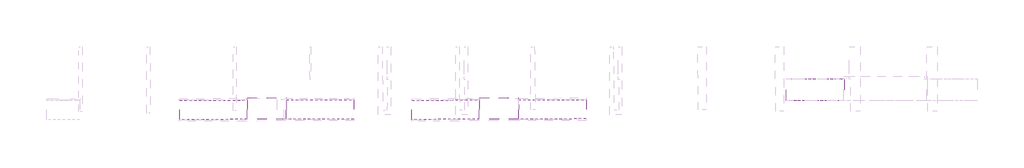
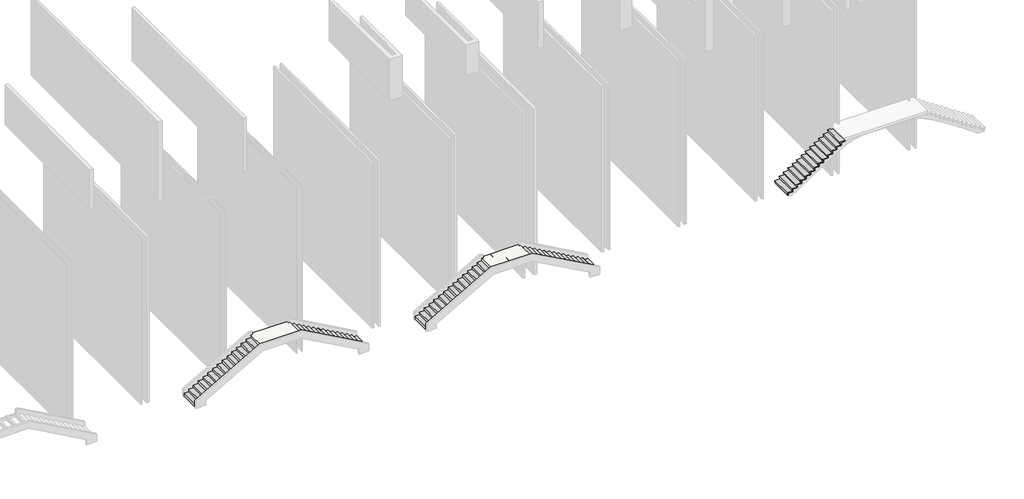
# One storey, part 3 of 9: 5 stair flights, 2 slabs.
"""IFC4 building model written with IfcOpenShell, lengths in millimetres."""

import ifcopenshell
import ifcopenshell.guid

model = None  # the IFC model being written
_history = None  # IfcOwnerHistory: only IFC2X3 demands one
_inside = {}  # id of a spatial element -> (the spatial element, [elements in it])
_under = {}  # id of a project, library or spatial element -> (it, [spatial elements below it])
_declared = {}  # id of a project -> (the project, [libraries it declares])
_typed = {}  # id of a type object -> (the type object, [elements of that type])
_made_of = {}  # id of a material, layer set ... -> (it, [elements and type objects made of it])


def new_model(schema):
    """Start an empty IFC model of exactly this schema.

    Asked for "IFC4X3", IfcOpenShell would pick the latest addendum, in which some entities
    have other attributes; the version numbers below select the first issue.
    IFC2X3 requires an IfcOwnerHistory on every rooted entity: one is made here for all.
    """
    global model, _history
    if schema == "IFC4X3":
        model = ifcopenshell.file(schema_version=(4, 3, 0, 0))
    else:
        model = ifcopenshell.file(schema=schema)
    _inside.clear()
    _under.clear()
    _declared.clear()
    _typed.clear()
    _made_of.clear()
    _history = None
    if model.schema == "IFC2X3":
        org = make("IfcOrganization", Name="unknown")
        user = make(
            "IfcPersonAndOrganization",
            ThePerson=make("IfcPerson", FamilyName="unknown"),
            TheOrganization=org,
        )
        app = make(
            "IfcApplication",
            ApplicationDeveloper=org,
            Version="unknown",
            ApplicationFullName="unknown",
            ApplicationIdentifier="unknown",
        )
        _history = make(
            "IfcOwnerHistory",
            OwningUser=user,
            OwningApplication=app,
            ChangeAction="ADDED",
            CreationDate=0,
        )
    return model


def make(cls, **values):
    """One entity of the class cls with the attributes given. An attribute that is None is left unset."""
    return model.create_entity(
        cls, **{name: value for name, value in values.items() if value is not None}
    )


def rooted(cls, **values):
    """An entity with a GlobalId (a new one), such as an element, a storey or a relation."""
    return make(cls, GlobalId=ifcopenshell.guid.new(), OwnerHistory=_history, **values)


def si_unit(unit_type, name, prefix=None):
    """IfcSIUnit, for example si_unit("LENGTHUNIT", "METRE", prefix="MILLI")."""
    return make("IfcSIUnit", UnitType=unit_type, Prefix=prefix, Name=name)


def assignment(units):
    """IfcUnitAssignment: the units of a project."""
    return None if units is None else make("IfcUnitAssignment", Units=units)


def point(xyz):
    """IfcCartesianPoint."""
    return None if xyz is None else make("IfcCartesianPoint", Coordinates=xyz)


def direction(xyz):
    """IfcDirection."""
    return None if xyz is None else make("IfcDirection", DirectionRatios=xyz)


def frame(location, z_axis=None, x_axis=None):
    """IfcAxis2Placement3D, a coordinate frame: its origin and axes. An axis left out is left unset."""
    return make(
        "IfcAxis2Placement3D",
        Location=point(location),
        Axis=direction(z_axis),
        RefDirection=direction(x_axis),
    )


def origin():
    """The frame at (0, 0, 0) with its axes left unset."""
    return frame((0.0, 0.0, 0.0))


def place(relative_to, where):
    """IfcLocalPlacement: puts the frame where relative to a parent placement (None: the world)."""
    return make(
        "IfcLocalPlacement", PlacementRelTo=relative_to, RelativePlacement=where
    )


def context(
    kind, dimensions, precision=None, world=None, true_north=None, identifier=None
):
    """IfcGeometricRepresentationContext, for example the 3D "Model" context."""
    return make(
        "IfcGeometricRepresentationContext",
        ContextIdentifier=identifier,
        ContextType=kind,
        CoordinateSpaceDimension=dimensions,
        Precision=precision,
        WorldCoordinateSystem=world,
        TrueNorth=true_north,
    )


def project(units=None, contexts=None):
    """IfcProject with its units and contexts."""
    return rooted(
        "IfcProject",
        Name="project",
        RepresentationContexts=contexts,
        UnitsInContext=assignment(units),
    )


def spatial(cls, under=None, at=None, **own):
    """A site, building, storey or space (cls), placed at a placement, below another one or the project."""
    s = rooted(cls, ObjectPlacement=at, **own)
    if under is not None:
        _under.setdefault(under.id(), (under, []))[1].append(s)
    return s


def faces_of(points, faces, orient=None, outer=None):
    """IfcFace entities. A face is a list of loops; a loop is a list of indices into points, from 0.

    orient and outer hold one flag for each loop. By default every Orientation is true, the
    first loop of a face is its IfcFaceOuterBound and the others are IfcFaceBound.
    """
    made = []
    for i, loops in enumerate(faces):
        bounds = []
        for j, loop in enumerate(loops):
            is_outer = j == 0 if outer is None else outer[i][j]
            bounds.append(
                make(
                    "IfcFaceOuterBound" if is_outer else "IfcFaceBound",
                    Bound=make("IfcPolyLoop", Polygon=[points[k] for k in loop]),
                    Orientation=True if orient is None else orient[i][j],
                )
            )
        made.append(make("IfcFace", Bounds=bounds))
    return made


def faceted_brep(points, faces, orient=None, outer=None, voids=None):
    """IfcFacetedBrep: a solid bounded by flat faces; with voids (closed shells), ...WithVoids."""
    shared = [point(p) for p in points]
    hull = make("IfcClosedShell", CfsFaces=faces_of(shared, faces, orient, outer))
    if voids is None:
        return make("IfcFacetedBrep", Outer=hull)
    return make(
        "IfcFacetedBrepWithVoids",
        Outer=hull,
        Voids=[
            make(cls, CfsFaces=faces_of(shared, fs, o, b)) for cls, fs, o, b in voids
        ],
    )


def shape(context_of_items, identifier, shape_type, items):
    """IfcShapeRepresentation: the items that make up one representation, for example the "Body"."""
    return make(
        "IfcShapeRepresentation",
        ContextOfItems=context_of_items,
        RepresentationIdentifier=identifier,
        RepresentationType=shape_type,
        Items=items,
    )


def made_of(thing, what):
    """Note that an element or type object is made of a material, layer set ...; save() writes the relation."""
    if what is not None:
        _made_of.setdefault(what.id(), (what, []))[1].append(thing)
    return thing


def element(
    cls,
    number,
    at=None,
    inside=None,
    cuts=None,
    type_object=None,
    material=None,
    context=None,
    identifier="Body",
    shape_type=None,
    held_by="IfcProductDefinitionShape",
    body=None,
    shapes=None,
    **own,
):
    """One element of the class cls, such as IfcWall. Its Tag is "e" and its number.

    at: its placement. inside: the storey or other place that contains it. cuts: it is an
    opening in that element (IfcRelVoidsElement). A single representation is given by context,
    identifier, shape_type and body (its items); several are given by shapes. held_by: the class
    of the entity that holds the representations. save() writes the other relations.
    """
    e = rooted(cls, Tag="e%d" % number, ObjectPlacement=at, **own)
    if body is not None:
        shapes = [shape(context, identifier, shape_type, body)]
    if shapes is not None:
        e.Representation = make(held_by, Representations=shapes)
    if inside is not None:
        _inside.setdefault(inside.id(), (inside, []))[1].append(e)
    if cuts is not None:
        rooted(
            "IfcRelVoidsElement", RelatingBuildingElement=cuts, RelatedOpeningElement=e
        )
    if type_object is not None:
        _typed.setdefault(type_object.id(), (type_object, []))[1].append(e)
    return made_of(e, material)


def aggregate(whole, parts):
    """IfcRelAggregates: a whole, such as a stair, and the parts it consists of."""
    return rooted("IfcRelAggregates", RelatingObject=whole, RelatedObjects=parts)


def save(model, path):
    """Write the relations noted so far, then the file.

    IfcRelAggregates (storeys below a building ...), IfcRelContainedInSpatialStructure (elements
    in a storey), IfcRelDefinesByType, IfcRelAssociatesMaterial and IfcRelDeclares: one each for
    every whole, place, type object, material and project.
    """
    for whole, parts in _under.values():
        aggregate(whole, parts)
    for where, things in _inside.values():
        rooted(
            "IfcRelContainedInSpatialStructure",
            RelatedElements=things,
            RelatingStructure=where,
        )
    for kind, things in _typed.values():
        rooted("IfcRelDefinesByType", RelatedObjects=things, RelatingType=kind)
    for what, things in _made_of.values():
        rooted("IfcRelAssociatesMaterial", RelatedObjects=things, RelatingMaterial=what)
    for by, libraries in _declared.values():
        rooted("IfcRelDeclares", RelatingContext=by, RelatedDefinitions=libraries)
    model.write(path)


model = new_model("IFC4")

# Units and contexts
model_context = context("Model", 3, world=origin())
ifc_project = project(units=[si_unit("LENGTHUNIT", "METRE", prefix="MILLI")], contexts=[model_context])

# Site, building, storey
site = spatial("IfcSite", under=ifc_project)
building = spatial("IfcBuilding", under=site)
storey = spatial("IfcBuildingStorey", under=building, Elevation=-6062.0)

# Slabs
placement = place(None, origin())
element("IfcSlab", 1, at=placement, inside=storey, context=model_context, shape_type="Brep", body=[
    faceted_brep([(-39551.1176898, 101575.3872461, 70.875), (-39546.8894207, 100372.8490926, 70.875), (-39526.8895444, 100372.9194146, 70.875), (-37151.1611749, 100381.2727618, 70.875), (-37131.1612985, 100381.3430837, 70.875), (-37135.3895676, 101583.8812372, 70.875), (-37135.8516621, 101715.3029466, 70.875), (-39551.5975319, 101711.8564372, 70.875), (-37131.1612985, 100381.3430837, -117.125), (-37135.3895676, 101583.8812372, -117.125), (-37135.3895676, 101583.8812372, 50.875), (-39551.5975319, 101711.8564372, 50.875), (-39551.1176898, 101575.3872461, 50.875), (-39546.8894207, 100372.8490926, -117.125), (-39526.8895444, 100372.9194146, -117.125), (-39526.8895444, 100372.9194146, 50.875), (-37151.1611749, 100381.2727618, 50.875), (-37151.1611749, 100381.2727618, -117.125), (-39531.1178134, 101575.4575681, 50.875), (-37135.8516621, 101715.3029466, 50.875), (-37155.3894439, 101583.8109153, 50.875), (-37155.3894439, 101583.8109153, -117.125), (-39531.1178134, 101575.4575681, -117.125), (-39551.1176898, 101575.3872461, -117.125)], [[[0, 1, 2, 3, 4, 5, 6, 7]], [[5, 4, 8, 9, 10]], [[0, 7, 11, 12]], [[1, 13, 14, 15, 16, 17, 8, 4, 3, 2]], [[18, 12, 11, 19, 10, 20, 16, 15]], [[21, 20, 10, 9]], [[17, 21, 9, 8]], [[21, 17, 16, 20]], [[18, 22, 23, 12]], [[22, 14, 13, 23]], [[14, 22, 18, 15]], [[1, 0, 12, 23, 13]], [[6, 5, 10, 19]], [[7, 6, 19, 11]]]),
])
element("IfcSlab", 2, at=placement, inside=storey, context=model_context, shape_type="Brep", body=[
    faceted_brep([(-25184.7349753, 101580.9808605, 90.875), (-25180.3563531, 100378.443245, 90.875), (-25160.3564857, 100378.5160676, 90.875), (-22784.6291792, 100387.1664518, 90.875), (-22764.6293118, 100387.2392743, 90.875), (-22769.007934, 101589.7768898, 90.875), (-22769.4783665, 101718.9757123, 90.875), (-25185.1905687, 101706.1042884, 90.875), (-22764.6293118, 100387.2392743, -95.7916667), (-22769.007934, 101589.7768898, -95.7916667), (-22769.007934, 101589.7768898, 70.875), (-25185.1905687, 101706.1042884, 70.875), (-25184.7349753, 101580.9808605, 70.875), (-25180.3563531, 100378.443245, -95.7916667), (-25160.3564857, 100378.5160676, -95.7916667), (-25160.3564857, 100378.5160676, 70.875), (-22784.6291792, 100387.1664518, 70.875), (-22784.6291792, 100387.1664518, -95.7916667), (-25164.7351079, 101581.053683, 70.875), (-22769.4783665, 101718.9757123, 70.875), (-22789.0078014, 101589.7040672, 70.875), (-22789.0078014, 101589.7040672, -95.7916667), (-25164.7351079, 101581.053683, -95.7916667), (-25184.7349753, 101580.9808605, -95.7916667)], [[[0, 1, 2, 3, 4, 5, 6, 7]], [[5, 4, 8, 9, 10]], [[0, 7, 11, 12]], [[1, 13, 14, 15, 16, 17, 8, 4, 3, 2]], [[18, 12, 11, 19, 10, 20, 16, 15]], [[21, 20, 10, 9]], [[17, 21, 9, 8]], [[21, 17, 16, 20]], [[18, 22, 23, 12]], [[22, 14, 13, 23]], [[14, 22, 18, 15]], [[1, 0, 12, 23, 13]], [[6, 5, 10, 19]], [[7, 6, 19, 11]]]),
])

# Stair flights
element("IfcStairFlight", 3, ObjectType="Rampa_Acciaio_2cm", at=placement, inside=storey, context=model_context, shape_type="Brep", body=[
    faceted_brep([(-43438.0936623, 101561.7201703, -2281.125), (-43737.091814, 101560.6688567, -2281.125), (-43732.863545, 100358.1307032, -2281.125), (-43433.8653933, 100359.1820168, -2281.125), (-43438.0936623, 101561.7201703, -2301.125), (-43717.0919377, 101560.7391787, -2301.125), (-43717.0919377, 101560.7391787, -2449.125), (-43737.091814, 101560.6688567, -2449.125), (-43732.863545, 100358.1307032, -2449.125), (-43712.8636686, 100358.2010252, -2449.125), (-43712.8636686, 100358.2010252, -2301.125), (-43433.8653933, 100359.1820168, -2301.125), (-43139.0955106, 101562.7714838, -2113.125), (-43438.0936623, 101561.7201703, -2113.125), (-43433.8653933, 100359.1820168, -2113.125), (-43134.8672415, 100360.2333303, -2113.125), (-43139.0955106, 101562.7714838, -2133.125), (-43418.0937859, 101561.7904922, -2133.125), (-43418.0937859, 101561.7904922, -2301.125), (-43413.8655169, 100359.2523387, -2301.125), (-43413.8655169, 100359.2523387, -2133.125), (-43134.8672415, 100360.2333303, -2133.125), (-42840.0973588, 101563.8227973, -1945.125), (-43139.0955106, 101562.7714838, -1945.125), (-43134.8672415, 100360.2333303, -1945.125), (-42835.8690898, 100361.2846438, -1945.125), (-42840.0973588, 101563.8227973, -1965.125), (-43119.0956342, 101562.8418058, -1965.125), (-43119.0956342, 101562.8418058, -2133.125), (-43114.8673652, 100360.3036523, -2133.125), (-43114.8673652, 100360.3036523, -1965.125), (-42835.8690898, 100361.2846438, -1965.125), (-42541.0992071, 101564.8741108, -1777.125), (-42840.0973588, 101563.8227973, -1777.125), (-42835.8690898, 100361.2846438, -1777.125), (-42536.8709381, 100362.3359573, -1777.125), (-42541.0992071, 101564.8741108, -1797.125), (-42820.0974825, 101563.8931193, -1797.125), (-42820.0974825, 101563.8931193, -1965.125), (-42815.8692134, 100361.3549658, -1965.125), (-42815.8692134, 100361.3549658, -1797.125), (-42536.8709381, 100362.3359573, -1797.125), (-42242.1010554, 101565.9254244, -1609.125), (-42541.0992071, 101564.8741108, -1609.125), (-42536.8709381, 100362.3359573, -1609.125), (-42237.8727863, 100363.3872709, -1609.125), (-42242.1010554, 101565.9254244, -1629.125), (-42521.0993307, 101564.9444328, -1629.125), (-42521.0993307, 101564.9444328, -1797.125), (-42516.8710617, 100362.4062793, -1797.125), (-42516.8710617, 100362.4062793, -1629.125), (-42237.8727863, 100363.3872709, -1629.125), (-41943.1029036, 101566.9767379, -1441.125), (-42242.1010554, 101565.9254244, -1441.125), (-42237.8727863, 100363.3872709, -1441.125), (-41938.8746346, 100364.4385844, -1441.125), (-41943.1029036, 101566.9767379, -1461.125), (-42222.101179, 101565.9957463, -1461.125), (-42222.101179, 101565.9957463, -1629.125), (-42217.87291, 100363.4575928, -1629.125), (-42217.87291, 100363.4575928, -1461.125), (-41938.8746346, 100364.4385844, -1461.125), (-41644.1047519, 101568.0280514, -1273.125), (-41943.1029036, 101566.9767379, -1273.125), (-41938.8746346, 100364.4385844, -1273.125), (-41639.8764829, 100365.4898979, -1273.125), (-41644.1047519, 101568.0280514, -1293.125), (-41923.1030273, 101567.0470599, -1293.125), (-41923.1030273, 101567.0470599, -1461.125), (-41918.8747582, 100364.5089064, -1461.125), (-41918.8747582, 100364.5089064, -1293.125), (-41639.8764829, 100365.4898979, -1293.125), (-41345.1066002, 101569.0793649, -1105.125), (-41644.1047519, 101568.0280514, -1105.125), (-41639.8764829, 100365.4898979, -1105.125), (-41340.8783311, 100366.5412114, -1105.125), (-41345.1066002, 101569.0793649, -1125.125), (-41624.1048755, 101568.0983734, -1125.125), (-41624.1048755, 101568.0983734, -1293.125), (-41619.8766065, 100365.5602199, -1293.125), (-41619.8766065, 100365.5602199, -1125.125), (-41340.8783311, 100366.5412114, -1125.125), (-41046.1084484, 101570.1306785, -937.125), (-41345.1066002, 101569.0793649, -937.125), (-41340.8783311, 100366.5412114, -937.125), (-41041.8801794, 100367.592525, -937.125), (-41046.1084484, 101570.1306785, -957.125), (-41325.1067238, 101569.1496869, -957.125), (-41325.1067238, 101569.1496869, -1125.125), (-41320.8784548, 100366.6115334, -1125.125), (-41320.8784548, 100366.6115334, -957.125), (-41041.8801794, 100367.592525, -957.125), (-40747.1102967, 101571.181992, -769.125), (-41046.1084484, 101570.1306785, -769.125), (-41041.8801794, 100367.592525, -769.125), (-40742.8820277, 100368.6438385, -769.125), (-40747.1102967, 101571.181992, -789.125), (-41026.1085721, 101570.2010004, -789.125), (-41026.1085721, 101570.2010004, -957.125), (-41021.880303, 100367.662847, -957.125), (-41021.880303, 100367.662847, -789.125), (-40742.8820277, 100368.6438385, -789.125), (-40448.112145, 101572.2333055, -601.125), (-40747.1102967, 101571.181992, -601.125), (-40742.8820277, 100368.6438385, -601.125), (-40443.8838759, 100369.695152, -601.125), (-40448.112145, 101572.2333055, -621.125), (-40727.1104203, 101571.252314, -621.125), (-40727.1104203, 101571.252314, -789.125), (-40722.8821513, 100368.7141605, -789.125), (-40722.8821513, 100368.7141605, -621.125), (-40443.8838759, 100369.695152, -621.125), (-40149.1139932, 101573.284619, -433.125), (-40448.112145, 101572.2333055, -433.125), (-40443.8838759, 100369.695152, -433.125), (-40144.8857242, 100370.7464656, -433.125), (-40149.1139932, 101573.284619, -453.125), (-40428.1122686, 101572.3036275, -453.125), (-40428.1122686, 101572.3036275, -621.125), (-40423.8839996, 100369.765474, -621.125), (-40423.8839996, 100369.765474, -453.125), (-40144.8857242, 100370.7464656, -453.125), (-39850.1158415, 101574.3359326, -265.125), (-40149.1139932, 101573.284619, -265.125), (-40144.8857242, 100370.7464656, -265.125), (-39845.8875725, 100371.7977791, -265.125), (-39850.1158415, 101574.3359326, -285.125), (-40129.1141169, 101573.354941, -285.125), (-40129.1141169, 101573.354941, -453.125), (-40124.8858478, 100370.8167875, -453.125), (-40124.8858478, 100370.8167875, -285.125), (-39845.8875725, 100371.7977791, -285.125), (-39830.1159651, 101574.4062545, -285.125), (-39825.8876961, 100371.8681011, -285.125), (-39830.1159651, 101574.4062545, -117.125), (-39825.8876961, 100371.8681011, -117.125), (-39551.1176898, 101575.3872461, -97.125), (-39850.1158415, 101574.3359326, -97.125), (-39845.8875725, 100371.7977791, -97.125), (-39546.8894207, 100372.8490926, -97.125), (-39551.1176898, 101575.3872461, -117.125), (-39546.8894207, 100372.8490926, -117.125)], [[[0, 1, 2, 3]], [[1, 0, 4, 5, 6, 7]], [[2, 1, 7, 8]], [[3, 2, 8, 9, 10, 11]], [[12, 13, 14, 15]], [[13, 12, 16, 17, 18, 4, 0]], [[0, 3, 14, 13]], [[15, 14, 3, 11, 19, 20, 21]], [[22, 23, 24, 25]], [[23, 22, 26, 27, 28, 16, 12]], [[12, 15, 24, 23]], [[25, 24, 15, 21, 29, 30, 31]], [[32, 33, 34, 35]], [[33, 32, 36, 37, 38, 26, 22]], [[22, 25, 34, 33]], [[35, 34, 25, 31, 39, 40, 41]], [[42, 43, 44, 45]], [[43, 42, 46, 47, 48, 36, 32]], [[32, 35, 44, 43]], [[45, 44, 35, 41, 49, 50, 51]], [[52, 53, 54, 55]], [[53, 52, 56, 57, 58, 46, 42]], [[42, 45, 54, 53]], [[55, 54, 45, 51, 59, 60, 61]], [[62, 63, 64, 65]], [[63, 62, 66, 67, 68, 56, 52]], [[52, 55, 64, 63]], [[65, 64, 55, 61, 69, 70, 71]], [[72, 73, 74, 75]], [[73, 72, 76, 77, 78, 66, 62]], [[62, 65, 74, 73]], [[75, 74, 65, 71, 79, 80, 81]], [[82, 83, 84, 85]], [[83, 82, 86, 87, 88, 76, 72]], [[72, 75, 84, 83]], [[85, 84, 75, 81, 89, 90, 91]], [[92, 93, 94, 95]], [[93, 92, 96, 97, 98, 86, 82]], [[82, 85, 94, 93]], [[95, 94, 85, 91, 99, 100, 101]], [[102, 103, 104, 105]], [[103, 102, 106, 107, 108, 96, 92]], [[92, 95, 104, 103]], [[105, 104, 95, 101, 109, 110, 111]], [[112, 113, 114, 115]], [[113, 112, 116, 117, 118, 106, 102]], [[102, 105, 114, 113]], [[115, 114, 105, 111, 119, 120, 121]], [[122, 123, 124, 125]], [[123, 122, 126, 127, 128, 116, 112]], [[112, 115, 124, 123]], [[125, 124, 115, 121, 129, 130, 131]], [[8, 7, 6, 9]], [[5, 10, 9, 6]], [[18, 19, 11, 10, 5, 4]], [[19, 18, 17, 20]], [[28, 29, 21, 20, 17, 16]], [[29, 28, 27, 30]], [[38, 39, 31, 30, 27, 26]], [[39, 38, 37, 40]], [[48, 49, 41, 40, 37, 36]], [[49, 48, 47, 50]], [[58, 59, 51, 50, 47, 46]], [[59, 58, 57, 60]], [[68, 69, 61, 60, 57, 56]], [[69, 68, 67, 70]], [[78, 79, 71, 70, 67, 66]], [[79, 78, 77, 80]], [[88, 89, 81, 80, 77, 76]], [[89, 88, 87, 90]], [[98, 99, 91, 90, 87, 86]], [[99, 98, 97, 100]], [[108, 109, 101, 100, 97, 96]], [[109, 108, 107, 110]], [[118, 119, 111, 110, 107, 106]], [[119, 118, 117, 120]], [[128, 129, 121, 120, 117, 116]], [[129, 128, 127, 130]], [[132, 133, 131, 130, 127, 126]], [[133, 132, 134, 135]], [[136, 137, 138, 139]], [[137, 136, 140, 134, 132, 126, 122]], [[122, 125, 138, 137]], [[139, 138, 125, 131, 133, 135, 141]], [[136, 139, 141, 140]], [[135, 134, 140, 141]]]),
])
element("IfcStairFlight", 4, ObjectType="Rampa_Acciaio_2cm", at=placement, inside=storey, context=model_context, shape_type="Brep", body=[
    faceted_brep([(-33244.185326, 100395.0101596, -2281.125), (-32945.1871743, 100396.0614731, -2281.125), (-32949.4154433, 101598.5996266, -2281.125), (-33248.413595, 101597.5483131, -2281.125), (-32949.4154433, 101598.5996266, -2449.125), (-32969.4153197, 101598.5293046, -2449.125), (-32969.4153197, 101598.5293046, -2301.125), (-33248.413595, 101597.5483131, -2301.125), (-32945.1871743, 100396.0614731, -2449.125), (-33244.185326, 100395.0101596, -2301.125), (-32965.1870506, 100395.9911511, -2301.125), (-32965.1870506, 100395.9911511, -2449.125), (-33543.1834777, 100393.9588461, -2113.125), (-33244.185326, 100395.0101596, -2113.125), (-33248.413595, 101597.5483131, -2113.125), (-33547.4117468, 101596.4969996, -2113.125), (-33268.4134714, 101597.4779911, -2301.125), (-33268.4134714, 101597.4779911, -2133.125), (-33547.4117468, 101596.4969996, -2133.125), (-33543.1834777, 100393.9588461, -2133.125), (-33264.1852024, 100394.9398376, -2133.125), (-33264.1852024, 100394.9398376, -2301.125), (-33842.1816295, 100392.9075325, -1945.125), (-33543.1834777, 100393.9588461, -1945.125), (-33547.4117468, 101596.4969996, -1945.125), (-33846.4098985, 101595.445686, -1945.125), (-33567.4116232, 101596.4266776, -2133.125), (-33567.4116231, 101596.4266776, -1965.125), (-33846.4098985, 101595.445686, -1965.125), (-33842.1816295, 100392.9075325, -1965.125), (-33563.1833541, 100393.8885241, -1965.125), (-33563.1833541, 100393.8885241, -2133.125), (-34141.1797812, 100391.856219, -1777.125), (-33842.1816295, 100392.9075325, -1777.125), (-33846.4098985, 101595.445686, -1777.125), (-34145.4080502, 101594.3943725, -1777.125), (-33866.4097749, 101595.3753641, -1965.125), (-33866.4097749, 101595.3753641, -1797.125), (-34145.4080502, 101594.3943725, -1797.125), (-34141.1797812, 100391.856219, -1797.125), (-33862.1815058, 100392.8372106, -1797.125), (-33862.1815058, 100392.8372106, -1965.125), (-34440.1779329, 100390.8049055, -1609.125), (-34141.1797812, 100391.856219, -1609.125), (-34145.4080502, 101594.3943725, -1609.125), (-34444.406202, 101593.343059, -1609.125), (-34165.4079266, 101594.3240505, -1797.125), (-34165.4079266, 101594.3240505, -1629.125), (-34444.406202, 101593.343059, -1629.125), (-34440.1779329, 100390.8049055, -1629.125), (-34161.1796576, 100391.785897, -1629.125), (-34161.1796576, 100391.785897, -1797.125), (-34739.1760847, 100389.753592, -1441.125), (-34440.1779329, 100390.8049055, -1441.125), (-34444.406202, 101593.343059, -1441.125), (-34743.4043537, 101592.2917455, -1441.125), (-34464.4060784, 101593.272737, -1629.125), (-34464.4060784, 101593.272737, -1461.125), (-34743.4043537, 101592.2917455, -1461.125), (-34739.1760847, 100389.753592, -1461.125), (-34460.1778093, 100390.7345835, -1461.125), (-34460.1778093, 100390.7345835, -1629.125), (-35038.1742364, 100388.7022784, -1273.125), (-34739.1760847, 100389.753592, -1273.125), (-34743.4043537, 101592.2917455, -1273.125), (-35042.4025054, 101591.2404319, -1273.125), (-34763.4042301, 101592.2214235, -1461.125), (-34763.4042301, 101592.2214235, -1293.125), (-35042.4025054, 101591.2404319, -1293.125), (-35038.1742364, 100388.7022784, -1293.125), (-34759.175961, 100389.68327, -1293.125), (-34759.175961, 100389.68327, -1461.125), (-35337.1723881, 100387.6509649, -1105.125), (-35038.1742364, 100388.7022784, -1105.125), (-35042.4025054, 101591.2404319, -1105.125), (-35341.4006572, 101590.1891184, -1105.125), (-35062.4023818, 101591.17011, -1293.125), (-35062.4023818, 101591.17011, -1125.125), (-35341.4006572, 101590.1891184, -1125.125), (-35337.1723881, 100387.6509649, -1125.125), (-35058.1741128, 100388.6319565, -1125.125), (-35058.1741128, 100388.6319565, -1293.125), (-35636.1705399, 100386.5996514, -937.125), (-35337.1723881, 100387.6509649, -937.125), (-35341.4006572, 101590.1891184, -937.125), (-35640.3988089, 101589.1378049, -937.125), (-35361.4005336, 101590.1187964, -1125.125), (-35361.4005336, 101590.1187964, -957.125), (-35640.3988089, 101589.1378049, -957.125), (-35636.1705399, 100386.5996514, -957.125), (-35357.1722645, 100387.5806429, -957.125), (-35357.1722645, 100387.5806429, -1125.125), (-35935.1686916, 100385.5483379, -769.125), (-35636.1705399, 100386.5996514, -769.125), (-35640.3988089, 101589.1378049, -769.125), (-35939.3969606, 101588.0864913, -769.125), (-35660.3986853, 101589.0674829, -957.125), (-35660.3986853, 101589.0674829, -789.125), (-35939.3969606, 101588.0864913, -789.125), (-35935.1686916, 100385.5483379, -789.125), (-35656.1704162, 100386.5293294, -789.125), (-35656.1704162, 100386.5293294, -957.125), (-36234.1668433, 100384.4970243, -601.125), (-35935.1686916, 100385.5483379, -601.125), (-35939.3969606, 101588.0864913, -601.125), (-36238.3951124, 101587.0351778, -601.125), (-35959.396837, 101588.0161694, -789.125), (-35959.396837, 101588.0161694, -621.125), (-36238.3951124, 101587.0351778, -621.125), (-36234.1668433, 100384.4970243, -621.125), (-35955.168568, 100385.4780159, -621.125), (-35955.168568, 100385.4780159, -789.125), (-36533.1649951, 100383.4457108, -433.125), (-36234.1668433, 100384.4970243, -433.125), (-36238.3951124, 101587.0351778, -433.125), (-36537.3932641, 101585.9838643, -433.125), (-36258.3949888, 101586.9648558, -621.125), (-36258.3949888, 101586.9648558, -453.125), (-36537.3932641, 101585.9838643, -453.125), (-36533.1649951, 100383.4457108, -453.125), (-36254.1667197, 100384.4267024, -453.125), (-36254.1667197, 100384.4267024, -621.125), (-36832.1631468, 100382.3943973, -265.125), (-36533.1649951, 100383.4457108, -265.125), (-36537.3932641, 101585.9838643, -265.125), (-36836.3914158, 101584.9325508, -265.125), (-36557.3931405, 101585.9135423, -453.125), (-36557.3931405, 101585.9135423, -285.125), (-36836.3914158, 101584.9325508, -285.125), (-36832.1631468, 100382.3943973, -285.125), (-36553.1648714, 100383.3753888, -285.125), (-36553.1648714, 100383.3753888, -453.125), (-37131.1612985, 100381.3430837, -97.125), (-36832.1631468, 100382.3943973, -97.125), (-36836.3914158, 101584.9325508, -97.125), (-37135.3895676, 101583.8812372, -97.125), (-36856.3912922, 101584.8622288, -285.125), (-36856.3912922, 101584.8622288, -117.125), (-37135.3895676, 101583.8812372, -117.125), (-37131.1612985, 100381.3430837, -117.125), (-36852.1630232, 100382.3240753, -117.125), (-36852.1630232, 100382.3240753, -285.125)], [[[0, 1, 2, 3]], [[3, 2, 4, 5, 6, 7]], [[2, 1, 8, 4]], [[1, 0, 9, 10, 11, 8]], [[12, 13, 14, 15]], [[15, 14, 3, 7, 16, 17, 18]], [[0, 3, 14, 13]], [[13, 12, 19, 20, 21, 9, 0]], [[22, 23, 24, 25]], [[25, 24, 15, 18, 26, 27, 28]], [[12, 15, 24, 23]], [[23, 22, 29, 30, 31, 19, 12]], [[32, 33, 34, 35]], [[35, 34, 25, 28, 36, 37, 38]], [[22, 25, 34, 33]], [[33, 32, 39, 40, 41, 29, 22]], [[42, 43, 44, 45]], [[45, 44, 35, 38, 46, 47, 48]], [[32, 35, 44, 43]], [[43, 42, 49, 50, 51, 39, 32]], [[52, 53, 54, 55]], [[55, 54, 45, 48, 56, 57, 58]], [[42, 45, 54, 53]], [[53, 52, 59, 60, 61, 49, 42]], [[62, 63, 64, 65]], [[65, 64, 55, 58, 66, 67, 68]], [[52, 55, 64, 63]], [[63, 62, 69, 70, 71, 59, 52]], [[72, 73, 74, 75]], [[75, 74, 65, 68, 76, 77, 78]], [[62, 65, 74, 73]], [[73, 72, 79, 80, 81, 69, 62]], [[82, 83, 84, 85]], [[85, 84, 75, 78, 86, 87, 88]], [[72, 75, 84, 83]], [[83, 82, 89, 90, 91, 79, 72]], [[92, 93, 94, 95]], [[95, 94, 85, 88, 96, 97, 98]], [[82, 85, 94, 93]], [[93, 92, 99, 100, 101, 89, 82]], [[102, 103, 104, 105]], [[105, 104, 95, 98, 106, 107, 108]], [[92, 95, 104, 103]], [[103, 102, 109, 110, 111, 99, 92]], [[112, 113, 114, 115]], [[115, 114, 105, 108, 116, 117, 118]], [[102, 105, 114, 113]], [[113, 112, 119, 120, 121, 109, 102]], [[122, 123, 124, 125]], [[125, 124, 115, 118, 126, 127, 128]], [[112, 115, 124, 123]], [[123, 122, 129, 130, 131, 119, 112]], [[4, 8, 11, 5]], [[132, 133, 134, 135]], [[135, 134, 125, 128, 136, 137, 138]], [[122, 125, 134, 133]], [[133, 132, 139, 140, 141, 129, 122]], [[132, 135, 138, 139]], [[10, 6, 5, 11]], [[21, 16, 7, 6, 10, 9]], [[16, 21, 20, 17]], [[31, 26, 18, 17, 20, 19]], [[26, 31, 30, 27]], [[41, 36, 28, 27, 30, 29]], [[36, 41, 40, 37]], [[51, 46, 38, 37, 40, 39]], [[46, 51, 50, 47]], [[61, 56, 48, 47, 50, 49]], [[56, 61, 60, 57]], [[71, 66, 58, 57, 60, 59]], [[66, 71, 70, 67]], [[81, 76, 68, 67, 70, 69]], [[76, 81, 80, 77]], [[91, 86, 78, 77, 80, 79]], [[86, 91, 90, 87]], [[101, 96, 88, 87, 90, 89]], [[96, 101, 100, 97]], [[111, 106, 98, 97, 100, 99]], [[106, 111, 110, 107]], [[121, 116, 108, 107, 110, 109]], [[116, 121, 120, 117]], [[131, 126, 118, 117, 120, 119]], [[126, 131, 130, 127]], [[141, 136, 128, 127, 130, 129]], [[136, 141, 140, 137]], [[137, 140, 139, 138]]]),
])
element("IfcStairFlight", 5, ObjectType="Rampa_Acciaio_2cm", at=placement, inside=storey, context=model_context, shape_type="Brep", body=[
    faceted_brep([(-29071.7092087, 101566.8277965, -2242.4583333), (-29370.7072266, 101565.7390993, -2242.4583333), (-29366.3286044, 100363.2014839, -2242.4583333), (-29067.3305864, 100364.2901811, -2242.4583333), (-29071.7092087, 101566.8277965, -2262.4583333), (-29350.7073592, 101565.8119219, -2262.4583333), (-29350.7073592, 101565.8119219, -2409.125), (-29370.7072266, 101565.7390993, -2409.125), (-29366.3286044, 100363.2014839, -2409.125), (-29346.328737, 100363.2743064, -2409.125), (-29346.328737, 100363.2743064, -2262.4583333), (-29067.3305864, 100364.2901811, -2262.4583333), (-28772.7111907, 101567.9164938, -2075.7916667), (-29071.7092087, 101566.8277965, -2075.7916667), (-29067.3305864, 100364.2901811, -2075.7916667), (-28768.3325685, 100365.3788783, -2075.7916667), (-28772.7111907, 101567.9164938, -2095.7916667), (-29051.7093412, 101566.9006191, -2095.7916667), (-29051.7093412, 101566.9006191, -2262.4583333), (-29047.330719, 100364.3630037, -2262.4583333), (-29047.330719, 100364.3630037, -2095.7916667), (-28768.3325685, 100365.3788783, -2095.7916667), (-28473.7131728, 101569.005191, -1909.125), (-28772.7111907, 101567.9164938, -1909.125), (-28768.3325685, 100365.3788783, -1909.125), (-28469.3345505, 100366.4675755, -1909.125), (-28473.7131728, 101569.005191, -1929.125), (-28752.7113233, 101567.9893163, -1929.125), (-28752.7113233, 101567.9893163, -2095.7916667), (-28748.3327011, 100365.4517009, -2095.7916667), (-28748.3327011, 100365.4517009, -1929.125), (-28469.3345505, 100366.4675755, -1929.125), (-28174.7151548, 101570.0938882, -1742.4583333), (-28473.7131728, 101569.005191, -1742.4583333), (-28469.3345505, 100366.4675755, -1742.4583333), (-28170.3365326, 100367.5562728, -1742.4583333), (-28174.7151548, 101570.0938882, -1762.4583333), (-28453.7133053, 101569.0780135, -1762.4583333), (-28453.7133053, 101569.0780135, -1929.125), (-28449.3346831, 100366.5403981, -1929.125), (-28449.3346831, 100366.5403981, -1762.4583333), (-28170.3365326, 100367.5562728, -1762.4583333), (-27875.7171369, 101571.1825854, -1575.7916667), (-28174.7151548, 101570.0938882, -1575.7916667), (-28170.3365326, 100367.5562728, -1575.7916667), (-27871.3385146, 100368.64497, -1575.7916667), (-27875.7171369, 101571.1825854, -1595.7916667), (-28154.7152874, 101570.1667108, -1595.7916667), (-28154.7152874, 101570.1667108, -1762.4583333), (-28150.3366652, 100367.6290953, -1762.4583333), (-28150.3366652, 100367.6290953, -1595.7916667), (-27871.3385146, 100368.64497, -1595.7916667), (-27576.7191189, 101572.2712827, -1409.125), (-27875.7171369, 101571.1825854, -1409.125), (-27871.3385146, 100368.64497, -1409.125), (-27572.3404967, 100369.7336672, -1409.125), (-27576.7191189, 101572.2712827, -1429.125), (-27855.7172694, 101571.255408, -1429.125), (-27855.7172694, 101571.255408, -1595.7916667), (-27851.3386472, 100368.7177926, -1595.7916667), (-27851.3386472, 100368.7177926, -1429.125), (-27572.3404967, 100369.7336672, -1429.125), (-27277.721101, 101573.3599799, -1242.4583333), (-27576.7191189, 101572.2712827, -1242.4583333), (-27572.3404967, 100369.7336672, -1242.4583333), (-27273.3424787, 100370.8223645, -1242.4583333), (-27277.721101, 101573.3599799, -1262.4583333), (-27556.7192515, 101572.3441052, -1262.4583333), (-27556.7192515, 101572.3441052, -1429.125), (-27552.3406293, 100369.8064898, -1429.125), (-27552.3406293, 100369.8064898, -1262.4583333), (-27273.3424787, 100370.8223645, -1262.4583333), (-26978.723083, 101574.4486771, -1075.7916667), (-27277.721101, 101573.3599799, -1075.7916667), (-27273.3424787, 100370.8223645, -1075.7916667), (-26974.3444608, 100371.9110617, -1075.7916667), (-26978.723083, 101574.4486771, -1095.7916667), (-27257.7212335, 101573.4328024, -1095.7916667), (-27257.7212335, 101573.4328024, -1262.4583333), (-27253.3426113, 100370.895187, -1262.4583333), (-27253.3426113, 100370.895187, -1095.7916667), (-26974.3444608, 100371.9110617, -1095.7916667), (-26679.7250651, 101575.5373743, -909.125), (-26978.723083, 101574.4486771, -909.125), (-26974.3444608, 100371.9110617, -909.125), (-26675.3464428, 100372.9997589, -909.125), (-26679.7250651, 101575.5373743, -929.125), (-26958.7232156, 101574.5214997, -929.125), (-26958.7232156, 101574.5214997, -1095.7916667), (-26954.3445934, 100371.9838842, -1095.7916667), (-26954.3445934, 100371.9838842, -929.125), (-26675.3464428, 100372.9997589, -929.125), (-26380.7270471, 101576.6260716, -742.4583333), (-26679.7250651, 101575.5373743, -742.4583333), (-26675.3464428, 100372.9997589, -742.4583333), (-26376.3484249, 100374.0884561, -742.4583333), (-26380.7270471, 101576.6260716, -762.4583333), (-26659.7251976, 101575.6101969, -762.4583333), (-26659.7251976, 101575.6101969, -929.125), (-26655.3465754, 100373.0725815, -929.125), (-26655.3465754, 100373.0725815, -762.4583333), (-26376.3484249, 100374.0884561, -762.4583333), (-26081.7290292, 101577.7147688, -575.7916667), (-26380.7270471, 101576.6260716, -575.7916667), (-26376.3484249, 100374.0884561, -575.7916667), (-26077.3504069, 100375.1771534, -575.7916667), (-26081.7290292, 101577.7147688, -595.7916667), (-26360.7271797, 101576.6988941, -595.7916667), (-26360.7271797, 101576.6988941, -762.4583333), (-26356.3485575, 100374.1612787, -762.4583333), (-26356.3485575, 100374.1612787, -595.7916667), (-26077.3504069, 100375.1771534, -595.7916667), (-25782.7310112, 101578.803466, -409.125), (-26081.7290292, 101577.7147688, -409.125), (-26077.3504069, 100375.1771534, -409.125), (-25778.352389, 100376.2658506, -409.125), (-25782.7310112, 101578.803466, -429.125), (-26061.7291617, 101577.7875913, -429.125), (-26061.7291617, 101577.7875913, -595.7916667), (-26057.3505395, 100375.2499759, -595.7916667), (-26057.3505395, 100375.2499759, -429.125), (-25778.352389, 100376.2658506, -429.125), (-25483.7329933, 101579.8921632, -242.4583333), (-25782.7310112, 101578.803466, -242.4583333), (-25778.352389, 100376.2658506, -242.4583333), (-25479.354371, 100377.3545478, -242.4583333), (-25483.7329933, 101579.8921632, -262.4583333), (-25762.7311438, 101578.8762886, -262.4583333), (-25762.7311438, 101578.8762886, -429.125), (-25758.3525216, 100376.3386731, -429.125), (-25758.3525216, 100376.3386731, -262.4583333), (-25479.354371, 100377.3545478, -262.4583333), (-25463.7331258, 101579.9649858, -262.4583333), (-25459.3545036, 100377.4273704, -262.4583333), (-25463.7331258, 101579.9649858, -95.7916667), (-25459.3545036, 100377.4273704, -95.7916667), (-25184.7349753, 101580.9808605, -75.7916667), (-25483.7329933, 101579.8921632, -75.7916667), (-25479.354371, 100377.3545478, -75.7916667), (-25180.3563531, 100378.443245, -75.7916667), (-25184.7349753, 101580.9808605, -95.7916667), (-25180.3563531, 100378.443245, -95.7916667)], [[[0, 1, 2, 3]], [[1, 0, 4, 5, 6, 7]], [[2, 1, 7, 8]], [[3, 2, 8, 9, 10, 11]], [[12, 13, 14, 15]], [[13, 12, 16, 17, 18, 4, 0]], [[0, 3, 14, 13]], [[15, 14, 3, 11, 19, 20, 21]], [[22, 23, 24, 25]], [[23, 22, 26, 27, 28, 16, 12]], [[12, 15, 24, 23]], [[25, 24, 15, 21, 29, 30, 31]], [[32, 33, 34, 35]], [[33, 32, 36, 37, 38, 26, 22]], [[22, 25, 34, 33]], [[35, 34, 25, 31, 39, 40, 41]], [[42, 43, 44, 45]], [[43, 42, 46, 47, 48, 36, 32]], [[32, 35, 44, 43]], [[45, 44, 35, 41, 49, 50, 51]], [[52, 53, 54, 55]], [[53, 52, 56, 57, 58, 46, 42]], [[42, 45, 54, 53]], [[55, 54, 45, 51, 59, 60, 61]], [[62, 63, 64, 65]], [[63, 62, 66, 67, 68, 56, 52]], [[52, 55, 64, 63]], [[65, 64, 55, 61, 69, 70, 71]], [[72, 73, 74, 75]], [[73, 72, 76, 77, 78, 66, 62]], [[62, 65, 74, 73]], [[75, 74, 65, 71, 79, 80, 81]], [[82, 83, 84, 85]], [[83, 82, 86, 87, 88, 76, 72]], [[72, 75, 84, 83]], [[85, 84, 75, 81, 89, 90, 91]], [[92, 93, 94, 95]], [[93, 92, 96, 97, 98, 86, 82]], [[82, 85, 94, 93]], [[95, 94, 85, 91, 99, 100, 101]], [[102, 103, 104, 105]], [[103, 102, 106, 107, 108, 96, 92]], [[92, 95, 104, 103]], [[105, 104, 95, 101, 109, 110, 111]], [[112, 113, 114, 115]], [[113, 112, 116, 117, 118, 106, 102]], [[102, 105, 114, 113]], [[115, 114, 105, 111, 119, 120, 121]], [[122, 123, 124, 125]], [[123, 122, 126, 127, 128, 116, 112]], [[112, 115, 124, 123]], [[125, 124, 115, 121, 129, 130, 131]], [[8, 7, 6, 9]], [[5, 10, 9, 6]], [[18, 19, 11, 10, 5, 4]], [[19, 18, 17, 20]], [[28, 29, 21, 20, 17, 16]], [[29, 28, 27, 30]], [[38, 39, 31, 30, 27, 26]], [[39, 38, 37, 40]], [[48, 49, 41, 40, 37, 36]], [[49, 48, 47, 50]], [[58, 59, 51, 50, 47, 46]], [[59, 58, 57, 60]], [[68, 69, 61, 60, 57, 56]], [[69, 68, 67, 70]], [[78, 79, 71, 70, 67, 66]], [[79, 78, 77, 80]], [[88, 89, 81, 80, 77, 76]], [[89, 88, 87, 90]], [[98, 99, 91, 90, 87, 86]], [[99, 98, 97, 100]], [[108, 109, 101, 100, 97, 96]], [[109, 108, 107, 110]], [[118, 119, 111, 110, 107, 106]], [[119, 118, 117, 120]], [[128, 129, 121, 120, 117, 116]], [[129, 128, 127, 130]], [[132, 133, 131, 130, 127, 126]], [[133, 132, 134, 135]], [[136, 137, 138, 139]], [[137, 136, 140, 134, 132, 126, 122]], [[122, 125, 138, 137]], [[139, 138, 125, 131, 133, 135, 141]], [[136, 139, 141, 140]], [[135, 134, 140, 141]]]),
])
element("IfcStairFlight", 6, ObjectType="Rampa_Acciaio_2cm", at=placement, inside=storey, context=model_context, shape_type="Brep", body=[
    faceted_brep([(-18877.6550784, 100401.3923383, -2242.4583333), (-18578.6570605, 100402.4810355, -2242.4583333), (-18583.0356827, 101605.0186509, -2242.4583333), (-18882.0337006, 101603.9299537, -2242.4583333), (-18583.0356827, 101605.0186509, -2409.125), (-18603.0355501, 101604.9458284, -2409.125), (-18603.0355501, 101604.9458284, -2262.4583333), (-18882.0337006, 101603.9299537, -2262.4583333), (-18578.6570605, 100402.4810355, -2409.125), (-18877.6550784, 100401.3923383, -2262.4583333), (-18598.6569279, 100402.4082129, -2262.4583333), (-18598.6569279, 100402.4082129, -2409.125), (-19176.6530964, 100400.303641, -2075.7916667), (-18877.6550784, 100401.3923383, -2075.7916667), (-18882.0337006, 101603.9299537, -2075.7916667), (-19181.0317186, 101602.8412565, -2075.7916667), (-18902.0335681, 101603.8571311, -2262.4583333), (-18902.0335681, 101603.8571311, -2095.7916667), (-19181.0317186, 101602.8412565, -2095.7916667), (-19176.6530964, 100400.303641, -2095.7916667), (-18897.6549458, 100401.3195157, -2095.7916667), (-18897.6549458, 100401.3195157, -2262.4583333), (-19475.6511143, 100399.2149438, -1909.125), (-19176.6530964, 100400.303641, -1909.125), (-19181.0317186, 101602.8412565, -1909.125), (-19480.0297365, 101601.7525592, -1909.125), (-19201.031586, 101602.7684339, -2095.7916667), (-19201.031586, 101602.7684339, -1929.125), (-19480.0297365, 101601.7525592, -1929.125), (-19475.6511143, 100399.2149438, -1929.125), (-19196.6529638, 100400.2308185, -1929.125), (-19196.6529638, 100400.2308185, -2095.7916667), (-19774.6491323, 100398.1262466, -1742.4583333), (-19475.6511143, 100399.2149438, -1742.4583333), (-19480.0297365, 101601.7525592, -1742.4583333), (-19779.0277545, 101600.663862, -1742.4583333), (-19500.029604, 101601.6797367, -1929.125), (-19500.029604, 101601.6797367, -1762.4583333), (-19779.0277545, 101600.663862, -1762.4583333), (-19774.6491323, 100398.1262466, -1762.4583333), (-19495.6509817, 100399.1421212, -1762.4583333), (-19495.6509817, 100399.1421212, -1929.125), (-20073.6471502, 100397.0375494, -1575.7916667), (-19774.6491323, 100398.1262466, -1575.7916667), (-19779.0277545, 101600.663862, -1575.7916667), (-20078.0257724, 101599.5751648, -1575.7916667), (-19799.0276219, 101600.5910395, -1762.4583333), (-19799.0276219, 101600.5910395, -1595.7916667), (-20078.0257724, 101599.5751648, -1595.7916667), (-20073.6471502, 100397.0375494, -1595.7916667), (-19794.6489997, 100398.053424, -1595.7916667), (-19794.6489997, 100398.053424, -1762.4583333), (-20372.6451682, 100395.9488521, -1409.125), (-20073.6471502, 100397.0375494, -1409.125), (-20078.0257724, 101599.5751648, -1409.125), (-20377.0237904, 101598.4864676, -1409.125), (-20098.0256399, 101599.5023422, -1595.7916667), (-20098.0256399, 101599.5023422, -1429.125), (-20377.0237904, 101598.4864676, -1429.125), (-20372.6451682, 100395.9488521, -1429.125), (-20093.6470176, 100396.9647268, -1429.125), (-20093.6470176, 100396.9647268, -1595.7916667), (-20671.6431861, 100394.8601549, -1242.4583333), (-20372.6451682, 100395.9488521, -1242.4583333), (-20377.0237904, 101598.4864676, -1242.4583333), (-20676.0218083, 101597.3977703, -1242.4583333), (-20397.0236578, 101598.413645, -1429.125), (-20397.0236578, 101598.413645, -1262.4583333), (-20676.0218083, 101597.3977703, -1262.4583333), (-20671.6431861, 100394.8601549, -1262.4583333), (-20392.6450356, 100395.8760296, -1262.4583333), (-20392.6450356, 100395.8760296, -1429.125), (-20970.6412041, 100393.7714577, -1075.7916667), (-20671.6431861, 100394.8601549, -1075.7916667), (-20676.0218083, 101597.3977703, -1075.7916667), (-20975.0198263, 101596.3090731, -1075.7916667), (-20696.0216758, 101597.3249478, -1262.4583333), (-20696.0216758, 101597.3249478, -1095.7916667), (-20975.0198263, 101596.3090731, -1095.7916667), (-20970.6412041, 100393.7714577, -1095.7916667), (-20691.6430535, 100394.7873323, -1095.7916667), (-20691.6430535, 100394.7873323, -1262.4583333), (-21269.639222, 100392.6827605, -909.125), (-20970.6412041, 100393.7714577, -909.125), (-20975.0198263, 101596.3090731, -909.125), (-21274.0178442, 101595.2203759, -909.125), (-20995.0196937, 101596.2362506, -1095.7916667), (-20995.0196937, 101596.2362506, -929.125), (-21274.0178442, 101595.2203759, -929.125), (-21269.639222, 100392.6827605, -929.125), (-20990.6410715, 100393.6986351, -929.125), (-20990.6410715, 100393.6986351, -1095.7916667), (-21568.63724, 100391.5940632, -742.4583333), (-21269.639222, 100392.6827605, -742.4583333), (-21274.0178442, 101595.2203759, -742.4583333), (-21573.0158622, 101594.1316787, -742.4583333), (-21294.0177117, 101595.1475533, -929.125), (-21294.0177117, 101595.1475533, -762.4583333), (-21573.0158622, 101594.1316787, -762.4583333), (-21568.63724, 100391.5940632, -762.4583333), (-21289.6390894, 100392.6099379, -762.4583333), (-21289.6390894, 100392.6099379, -929.125), (-21867.6352579, 100390.505366, -575.7916667), (-21568.63724, 100391.5940632, -575.7916667), (-21573.0158622, 101594.1316787, -575.7916667), (-21872.0138801, 101593.0429814, -575.7916667), (-21593.0157296, 101594.0588561, -762.4583333), (-21593.0157296, 101594.0588561, -595.7916667), (-21872.0138801, 101593.0429814, -595.7916667), (-21867.6352579, 100390.505366, -595.7916667), (-21588.6371074, 100391.5212407, -595.7916667), (-21588.6371074, 100391.5212407, -762.4583333), (-22166.6332759, 100389.4166688, -409.125), (-21867.6352579, 100390.505366, -409.125), (-21872.0138801, 101593.0429814, -409.125), (-22171.0118981, 101591.9542842, -409.125), (-21892.0137476, 101592.9701589, -595.7916667), (-21892.0137476, 101592.9701589, -429.125), (-22171.0118981, 101591.9542842, -429.125), (-22166.6332759, 100389.4166688, -429.125), (-21887.6351253, 100390.4325434, -429.125), (-21887.6351253, 100390.4325434, -595.7916667), (-22465.6312938, 100388.3279716, -242.4583333), (-22166.6332759, 100389.4166688, -242.4583333), (-22171.0118981, 101591.9542842, -242.4583333), (-22470.009916, 101590.865587, -242.4583333), (-22191.0117655, 101591.8814617, -429.125), (-22191.0117655, 101591.8814617, -262.4583333), (-22470.009916, 101590.865587, -262.4583333), (-22465.6312938, 100388.3279716, -262.4583333), (-22186.6331433, 100389.3438462, -262.4583333), (-22186.6331433, 100389.3438462, -429.125), (-22764.6293118, 100387.2392743, -75.7916667), (-22465.6312938, 100388.3279716, -75.7916667), (-22470.009916, 101590.865587, -75.7916667), (-22769.007934, 101589.7768898, -75.7916667), (-22490.0097835, 101590.7927644, -262.4583333), (-22490.0097835, 101590.7927644, -95.7916667), (-22769.007934, 101589.7768898, -95.7916667), (-22764.6293118, 100387.2392743, -95.7916667), (-22485.6311612, 100388.255149, -95.7916667), (-22485.6311612, 100388.255149, -262.4583333)], [[[0, 1, 2, 3]], [[3, 2, 4, 5, 6, 7]], [[2, 1, 8, 4]], [[1, 0, 9, 10, 11, 8]], [[12, 13, 14, 15]], [[15, 14, 3, 7, 16, 17, 18]], [[0, 3, 14, 13]], [[13, 12, 19, 20, 21, 9, 0]], [[22, 23, 24, 25]], [[25, 24, 15, 18, 26, 27, 28]], [[12, 15, 24, 23]], [[23, 22, 29, 30, 31, 19, 12]], [[32, 33, 34, 35]], [[35, 34, 25, 28, 36, 37, 38]], [[22, 25, 34, 33]], [[33, 32, 39, 40, 41, 29, 22]], [[42, 43, 44, 45]], [[45, 44, 35, 38, 46, 47, 48]], [[32, 35, 44, 43]], [[43, 42, 49, 50, 51, 39, 32]], [[52, 53, 54, 55]], [[55, 54, 45, 48, 56, 57, 58]], [[42, 45, 54, 53]], [[53, 52, 59, 60, 61, 49, 42]], [[62, 63, 64, 65]], [[65, 64, 55, 58, 66, 67, 68]], [[52, 55, 64, 63]], [[63, 62, 69, 70, 71, 59, 52]], [[72, 73, 74, 75]], [[75, 74, 65, 68, 76, 77, 78]], [[62, 65, 74, 73]], [[73, 72, 79, 80, 81, 69, 62]], [[82, 83, 84, 85]], [[85, 84, 75, 78, 86, 87, 88]], [[72, 75, 84, 83]], [[83, 82, 89, 90, 91, 79, 72]], [[92, 93, 94, 95]], [[95, 94, 85, 88, 96, 97, 98]], [[82, 85, 94, 93]], [[93, 92, 99, 100, 101, 89, 82]], [[102, 103, 104, 105]], [[105, 104, 95, 98, 106, 107, 108]], [[92, 95, 104, 103]], [[103, 102, 109, 110, 111, 99, 92]], [[112, 113, 114, 115]], [[115, 114, 105, 108, 116, 117, 118]], [[102, 105, 114, 113]], [[113, 112, 119, 120, 121, 109, 102]], [[122, 123, 124, 125]], [[125, 124, 115, 118, 126, 127, 128]], [[112, 115, 124, 123]], [[123, 122, 129, 130, 131, 119, 112]], [[4, 8, 11, 5]], [[132, 133, 134, 135]], [[135, 134, 125, 128, 136, 137, 138]], [[122, 125, 134, 133]], [[133, 132, 139, 140, 141, 129, 122]], [[132, 135, 138, 139]], [[10, 6, 5, 11]], [[21, 16, 7, 6, 10, 9]], [[16, 21, 20, 17]], [[31, 26, 18, 17, 20, 19]], [[26, 31, 30, 27]], [[41, 36, 28, 27, 30, 29]], [[36, 41, 40, 37]], [[51, 46, 38, 37, 40, 39]], [[46, 51, 50, 47]], [[61, 56, 48, 47, 50, 49]], [[56, 61, 60, 57]], [[71, 66, 58, 57, 60, 59]], [[66, 71, 70, 67]], [[81, 76, 68, 67, 70, 69]], [[76, 81, 80, 77]], [[91, 86, 78, 77, 80, 79]], [[86, 91, 90, 87]], [[101, 96, 88, 87, 90, 89]], [[96, 101, 100, 97]], [[111, 106, 98, 97, 100, 99]], [[106, 111, 110, 107]], [[121, 116, 108, 107, 110, 109]], [[116, 121, 120, 117]], [[131, 126, 118, 117, 120, 119]], [[126, 131, 130, 127]], [[141, 136, 128, 127, 130, 129]], [[136, 141, 140, 137]], [[137, 140, 139, 138]]]),
])
element("IfcStairFlight", 7, ObjectType="Type 1.2", at=placement, inside=storey, context=model_context, shape_type="Brep", body=[
    faceted_brep([(-6214.0062312, 102880.8744563, -2227.6964286), (-6214.0062312, 101536.9208429, -2227.6964286), (-5890.0062312, 101536.9208429, -2227.6964286), (-5890.0062312, 102880.8744563, -2227.6964286), (-5890.0062312, 102880.8744563, -2277.6964286), (-6114.0062312, 102880.8744563, -2277.6964286), (-6114.0062312, 102880.8744563, -2409.125), (-6164.0062312, 102880.8744563, -2409.125), (-6164.0062312, 101536.9208429, -2409.125), (-6114.0062312, 101536.9208429, -2409.125), (-6114.0062312, 101536.9208429, -2277.6964286), (-5890.0062312, 101536.9208429, -2277.6964286), (-5940.0062312, 102880.8744563, -2046.2678571), (-5940.0062312, 101536.9208429, -2046.2678571), (-5616.0062312, 101536.9208429, -2046.2678571), (-5616.0062312, 102880.8744563, -2046.2678571), (-5616.0062312, 102880.8744563, -2096.2678571), (-5840.0062312, 102880.8744563, -2096.2678571), (-5840.0062312, 102880.8744563, -2277.6964286), (-5840.0062312, 101536.9208429, -2277.6964286), (-5840.0062312, 101536.9208429, -2096.2678571), (-5616.0062312, 101536.9208429, -2096.2678571), (-5666.0062312, 102880.8744563, -1864.8392857), (-5666.0062312, 101536.9208429, -1864.8392857), (-5342.0062312, 101536.9208429, -1864.8392857), (-5342.0062312, 102880.8744563, -1864.8392857), (-5342.0062312, 102880.8744563, -1914.8392857), (-5566.0062312, 102880.8744563, -1914.8392857), (-5566.0062312, 102880.8744563, -2096.2678571), (-5566.0062312, 101536.9208429, -2096.2678571), (-5566.0062312, 101536.9208429, -1914.8392857), (-5342.0062312, 101536.9208429, -1914.8392857), (-5392.0062312, 102880.8744563, -1683.4107143), (-5392.0062312, 101536.9208429, -1683.4107143), (-5068.0062312, 101536.9208429, -1683.4107143), (-5068.0062312, 102880.8744563, -1683.4107143), (-5068.0062312, 102880.8744563, -1733.4107143), (-5292.0062312, 102880.8744563, -1733.4107143), (-5292.0062312, 102880.8744563, -1914.8392857), (-5292.0062312, 101536.9208429, -1914.8392857), (-5292.0062312, 101536.9208429, -1733.4107143), (-5068.0062312, 101536.9208429, -1733.4107143), (-5118.0062312, 102880.8744563, -1501.9821429), (-5118.0062312, 101536.9208429, -1501.9821429), (-4794.0062312, 101536.9208429, -1501.9821429), (-4794.0062312, 102880.8744563, -1501.9821429), (-4794.0062312, 102880.8744563, -1551.9821429), (-5018.0062312, 102880.8744563, -1551.9821429), (-5018.0062312, 102880.8744563, -1733.4107143), (-5018.0062312, 101536.9208429, -1733.4107143), (-5018.0062312, 101536.9208429, -1551.9821429), (-4794.0062312, 101536.9208429, -1551.9821429), (-4844.0062312, 102880.8744563, -1320.5535714), (-4844.0062312, 101536.9208429, -1320.5535714), (-4520.0062312, 101536.9208429, -1320.5535714), (-4520.0062312, 102880.8744563, -1320.5535714), (-4520.0062312, 102880.8744563, -1370.5535714), (-4744.0062312, 102880.8744563, -1370.5535714), (-4744.0062312, 102880.8744563, -1551.9821429), (-4744.0062312, 101536.9208429, -1551.9821429), (-4744.0062312, 101536.9208429, -1370.5535714), (-4520.0062312, 101536.9208429, -1370.5535714), (-4570.0062312, 102880.8744563, -1139.125), (-4570.0062312, 101536.9208429, -1139.125), (-4246.0062312, 101536.9208429, -1139.125), (-4246.0062312, 102880.8744563, -1139.125), (-4246.0062312, 102880.8744563, -1189.125), (-4470.0062312, 102880.8744563, -1189.125), (-4470.0062312, 102880.8744563, -1370.5535714), (-4470.0062312, 101536.9208429, -1370.5535714), (-4470.0062312, 101536.9208429, -1189.125), (-4246.0062312, 101536.9208429, -1189.125), (-4296.0062312, 102880.8744563, -957.6964286), (-4296.0062312, 101536.9208429, -957.6964286), (-3972.0062312, 101536.9208429, -957.6964286), (-3972.0062312, 102880.8744563, -957.6964286), (-3972.0062312, 102880.8744563, -1007.6964286), (-4196.0062312, 102880.8744563, -1007.6964286), (-4196.0062312, 102880.8744563, -1189.125), (-4196.0062312, 101536.9208429, -1189.125), (-4196.0062312, 101536.9208429, -1007.6964286), (-3972.0062312, 101536.9208429, -1007.6964286), (-4022.0062312, 102880.8744563, -776.2678571), (-4022.0062312, 101536.9208429, -776.2678571), (-3698.0062312, 101536.9208429, -776.2678571), (-3698.0062312, 102880.8744563, -776.2678571), (-3698.0062312, 102880.8744563, -826.2678571), (-3922.0062312, 102880.8744563, -826.2678571), (-3922.0062312, 102880.8744563, -1007.6964286), (-3922.0062312, 101536.9208429, -1007.6964286), (-3922.0062312, 101536.9208429, -826.2678571), (-3698.0062312, 101536.9208429, -826.2678571), (-3748.0062312, 102880.8744563, -594.8392857), (-3748.0062312, 101536.9208429, -594.8392857), (-3424.0062312, 101536.9208429, -594.8392857), (-3424.0062312, 102880.8744563, -594.8392857), (-3424.0062312, 102880.8744563, -644.8392857), (-3648.0062312, 102880.8744563, -644.8392857), (-3648.0062312, 102880.8744563, -826.2678571), (-3648.0062312, 101536.9208429, -826.2678571), (-3648.0062312, 101536.9208429, -644.8392857), (-3424.0062312, 101536.9208429, -644.8392857), (-3474.0062312, 102880.8744563, -413.4107143), (-3474.0062312, 101536.9208429, -413.4107143), (-3150.0062312, 101536.9208429, -413.4107143), (-3150.0062312, 102880.8744563, -413.4107143), (-3150.0062312, 102880.8744563, -463.4107143), (-3374.0062312, 102880.8744563, -463.4107143), (-3374.0062312, 102880.8744563, -644.8392857), (-3374.0062312, 101536.9208429, -644.8392857), (-3374.0062312, 101536.9208429, -463.4107143), (-3150.0062312, 101536.9208429, -463.4107143), (-3200.0062312, 102880.8744563, -231.9821429), (-3200.0062312, 101536.9208429, -231.9821429), (-2876.0062312, 101536.9208429, -231.9821429), (-2876.0062312, 102880.8744563, -231.9821429), (-2876.0062312, 102880.8744563, -281.9821429), (-3100.0062312, 102880.8744563, -281.9821429), (-3100.0062312, 102880.8744563, -463.4107143), (-3100.0062312, 101536.9208429, -463.4107143), (-3100.0062312, 101536.9208429, -281.9821429), (-2876.0062312, 101536.9208429, -281.9821429), (-2826.0062312, 102880.8744563, -281.9821429), (-2826.0062312, 101536.9208429, -281.9821429), (-2826.0062312, 102880.8744563, -100.5535714), (-2826.0062312, 101536.9208429, -100.5535714), (-2602.0062312, 102880.8744563, -100.5535714), (-2602.0062312, 101536.9208429, -100.5535714), (-2652.0062312, 101536.9208429, -100.5535714), (-2926.0062312, 102880.8744563, -50.5535714), (-2926.0062312, 101536.9208429, -50.5535714), (-2652.0062312, 101536.9208429, -50.5535714), (-2602.0062312, 101536.9208429, -50.5535714), (-2602.0062312, 102880.8744563, -50.5535714)], [[[0, 1, 2, 3]], [[0, 3, 4, 5, 6, 7]], [[2, 1, 8, 9, 10, 11]], [[1, 0, 7, 8]], [[12, 13, 14, 15]], [[12, 15, 16, 17, 18, 4, 3]], [[14, 13, 2, 11, 19, 20, 21]], [[3, 2, 13, 12]], [[22, 23, 24, 25]], [[22, 25, 26, 27, 28, 16, 15]], [[24, 23, 14, 21, 29, 30, 31]], [[15, 14, 23, 22]], [[32, 33, 34, 35]], [[32, 35, 36, 37, 38, 26, 25]], [[34, 33, 24, 31, 39, 40, 41]], [[25, 24, 33, 32]], [[42, 43, 44, 45]], [[42, 45, 46, 47, 48, 36, 35]], [[44, 43, 34, 41, 49, 50, 51]], [[35, 34, 43, 42]], [[52, 53, 54, 55]], [[52, 55, 56, 57, 58, 46, 45]], [[54, 53, 44, 51, 59, 60, 61]], [[45, 44, 53, 52]], [[62, 63, 64, 65]], [[62, 65, 66, 67, 68, 56, 55]], [[64, 63, 54, 61, 69, 70, 71]], [[55, 54, 63, 62]], [[72, 73, 74, 75]], [[72, 75, 76, 77, 78, 66, 65]], [[74, 73, 64, 71, 79, 80, 81]], [[65, 64, 73, 72]], [[82, 83, 84, 85]], [[82, 85, 86, 87, 88, 76, 75]], [[84, 83, 74, 81, 89, 90, 91]], [[75, 74, 83, 82]], [[92, 93, 94, 95]], [[92, 95, 96, 97, 98, 86, 85]], [[94, 93, 84, 91, 99, 100, 101]], [[85, 84, 93, 92]], [[102, 103, 104, 105]], [[102, 105, 106, 107, 108, 96, 95]], [[104, 103, 94, 101, 109, 110, 111]], [[95, 94, 103, 102]], [[112, 113, 114, 115]], [[112, 115, 116, 117, 118, 106, 105]], [[114, 113, 104, 111, 119, 120, 121]], [[105, 104, 113, 112]], [[8, 7, 6, 9]], [[5, 10, 9, 6]], [[18, 19, 11, 10, 5, 4]], [[19, 18, 17, 20]], [[28, 29, 21, 20, 17, 16]], [[29, 28, 27, 30]], [[38, 39, 31, 30, 27, 26]], [[39, 38, 37, 40]], [[48, 49, 41, 40, 37, 36]], [[49, 48, 47, 50]], [[58, 59, 51, 50, 47, 46]], [[59, 58, 57, 60]], [[68, 69, 61, 60, 57, 56]], [[69, 68, 67, 70]], [[78, 79, 71, 70, 67, 66]], [[79, 78, 77, 80]], [[88, 89, 81, 80, 77, 76]], [[89, 88, 87, 90]], [[98, 99, 91, 90, 87, 86]], [[99, 98, 97, 100]], [[108, 109, 101, 100, 97, 96]], [[109, 108, 107, 110]], [[118, 119, 111, 110, 107, 106]], [[119, 118, 117, 120]], [[122, 123, 121, 120, 117, 116]], [[123, 122, 124, 125]], [[125, 124, 126, 127, 128]], [[129, 130, 131, 132, 133]], [[129, 133, 126, 124, 122, 116, 115]], [[131, 130, 114, 121, 123, 125, 128]], [[133, 132, 127, 126]], [[115, 114, 130, 129]], [[132, 131, 128, 127]]]),
])

save(model, "model.ifc")
